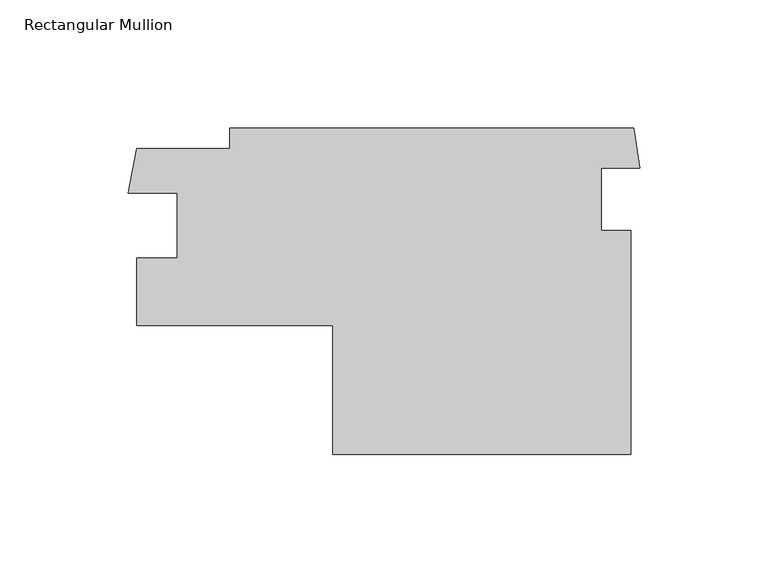
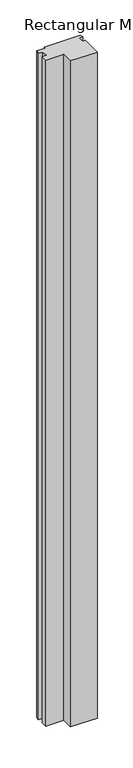
"""IFC4 building model written with IfcOpenShell, lengths in millimetres: member geometry, Rectangular Mullion."""

from ifc_helpers import new_model, si_unit, frame, origin, place, context, project, spatial, polyline, outline, extrude, source, transform, mapped, element, save


def rectangular_mullion_ae1d2667(model_context):
    return source(origin(), model_context, "Body", "SweptSolid", [
        extrude(outline(polyline([(-199.0690648, 29.8259856), (-195.7275901, 47.04715), (-159.5189454, 47.04715), (-159.5189454, 54.9847168), (-2.1957852, 54.9847168), (0.0, 39.4922325), (-15.0224564, 39.4922325), (-15.0224564, 15.1725434), (-3.5361769, 15.1725434), (-3.5361769, -72.0152165), (-119.423685, -72.0152165), (-119.423685, -21.7994659), (-195.877685, -21.7994659), (-195.877685, 4.4259856), (-180.002685, 4.4259856), (-180.002685, 29.8259856), (-199.0690648, 29.8259856)])), frame((0.0, 0.0, -3048.0), z_axis=(0.0, 0.0, 1.0), x_axis=(1.0, 0.0, 0.0)), (0.0, 0.0, 1.0), 3048.0),
    ])


if __name__ == "__main__":
    model = new_model("IFC4")
    model_context = context("Model", 3, world=origin())
    ifc_project = project(units=[si_unit("LENGTHUNIT", "METRE", prefix="MILLI")], contexts=[model_context])
    site = spatial("IfcSite", under=ifc_project)
    building = spatial("IfcBuilding", under=site)
    placement = place(None, origin())
    rectangular_mullion_shape = rectangular_mullion_ae1d2667(model_context)
    element("IfcMember", 1, ObjectType="Rectangular Mullion", at=placement, inside=building, context=model_context, shape_type="MappedRepresentation", body=[
        mapped(rectangular_mullion_shape, transform((0.0, 0.0, 0.0), x_axis=(1.0, 0.0, 0.0), y_axis=(0.0, 1.0, 0.0), z_axis=(0.0, 0.0, 1.0))),
    ])
    save(model, "model.ifc")
